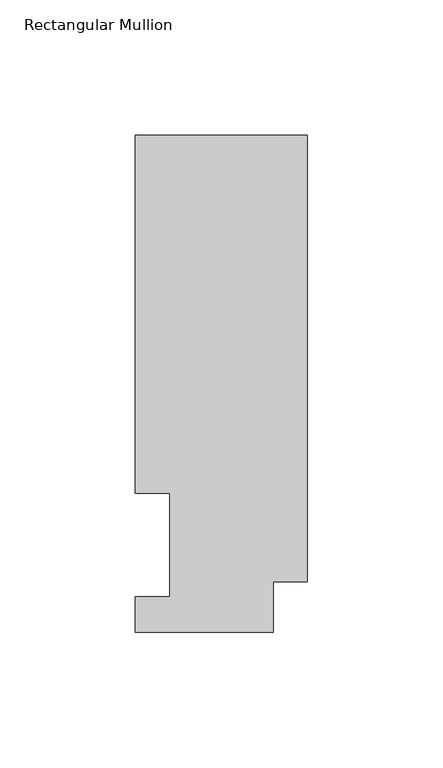
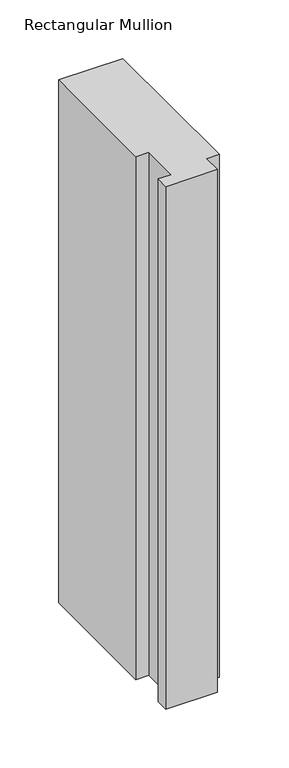
"""IFC4 building model written with IfcOpenShell, lengths in millimetres: member geometry, Rectangular Mullion."""

import ifcopenshell
import ifcopenshell.guid

model = None  # the IFC model being written
_history = None  # IfcOwnerHistory: only IFC2X3 demands one
_inside = {}  # id of a spatial element -> (the spatial element, [elements in it])
_under = {}  # id of a project, library or spatial element -> (it, [spatial elements below it])
_declared = {}  # id of a project -> (the project, [libraries it declares])
_typed = {}  # id of a type object -> (the type object, [elements of that type])
_made_of = {}  # id of a material, layer set ... -> (it, [elements and type objects made of it])


def new_model(schema):
    """Start an empty IFC model of exactly this schema.

    Asked for "IFC4X3", IfcOpenShell would pick the latest addendum, in which some entities
    have other attributes; the version numbers below select the first issue.
    IFC2X3 requires an IfcOwnerHistory on every rooted entity: one is made here for all.
    """
    global model, _history
    if schema == "IFC4X3":
        model = ifcopenshell.file(schema_version=(4, 3, 0, 0))
    else:
        model = ifcopenshell.file(schema=schema)
    _inside.clear()
    _under.clear()
    _declared.clear()
    _typed.clear()
    _made_of.clear()
    _history = None
    if model.schema == "IFC2X3":
        org = make("IfcOrganization", Name="unknown")
        user = make(
            "IfcPersonAndOrganization",
            ThePerson=make("IfcPerson", FamilyName="unknown"),
            TheOrganization=org,
        )
        app = make(
            "IfcApplication",
            ApplicationDeveloper=org,
            Version="unknown",
            ApplicationFullName="unknown",
            ApplicationIdentifier="unknown",
        )
        _history = make(
            "IfcOwnerHistory",
            OwningUser=user,
            OwningApplication=app,
            ChangeAction="ADDED",
            CreationDate=0,
        )
    return model


def make(cls, **values):
    """One entity of the class cls with the attributes given. An attribute that is None is left unset."""
    return model.create_entity(
        cls, **{name: value for name, value in values.items() if value is not None}
    )


def rooted(cls, **values):
    """An entity with a GlobalId (a new one), such as an element, a storey or a relation."""
    return make(cls, GlobalId=ifcopenshell.guid.new(), OwnerHistory=_history, **values)


def si_unit(unit_type, name, prefix=None):
    """IfcSIUnit, for example si_unit("LENGTHUNIT", "METRE", prefix="MILLI")."""
    return make("IfcSIUnit", UnitType=unit_type, Prefix=prefix, Name=name)


def assignment(units):
    """IfcUnitAssignment: the units of a project."""
    return None if units is None else make("IfcUnitAssignment", Units=units)


def point(xyz):
    """IfcCartesianPoint."""
    return None if xyz is None else make("IfcCartesianPoint", Coordinates=xyz)


def direction(xyz):
    """IfcDirection."""
    return None if xyz is None else make("IfcDirection", DirectionRatios=xyz)


def frame(location, z_axis=None, x_axis=None):
    """IfcAxis2Placement3D, a coordinate frame: its origin and axes. An axis left out is left unset."""
    return make(
        "IfcAxis2Placement3D",
        Location=point(location),
        Axis=direction(z_axis),
        RefDirection=direction(x_axis),
    )


def origin():
    """The frame at (0, 0, 0) with its axes left unset."""
    return frame((0.0, 0.0, 0.0))


def place(relative_to, where):
    """IfcLocalPlacement: puts the frame where relative to a parent placement (None: the world)."""
    return make(
        "IfcLocalPlacement", PlacementRelTo=relative_to, RelativePlacement=where
    )


def context(
    kind, dimensions, precision=None, world=None, true_north=None, identifier=None
):
    """IfcGeometricRepresentationContext, for example the 3D "Model" context."""
    return make(
        "IfcGeometricRepresentationContext",
        ContextIdentifier=identifier,
        ContextType=kind,
        CoordinateSpaceDimension=dimensions,
        Precision=precision,
        WorldCoordinateSystem=world,
        TrueNorth=true_north,
    )


def project(units=None, contexts=None):
    """IfcProject with its units and contexts."""
    return rooted(
        "IfcProject",
        Name="project",
        RepresentationContexts=contexts,
        UnitsInContext=assignment(units),
    )


def spatial(cls, under=None, at=None, **own):
    """A site, building, storey or space (cls), placed at a placement, below another one or the project."""
    s = rooted(cls, ObjectPlacement=at, **own)
    if under is not None:
        _under.setdefault(under.id(), (under, []))[1].append(s)
    return s


def polyline(points):
    """IfcPolyline through the points."""
    return make("IfcPolyline", Points=[point(p) for p in points])


def outline(outer, holes=None, kind="AREA"):
    """IfcArbitraryClosedProfileDef: a profile drawn as a closed curve; with holes, ...WithVoids."""
    if holes is None:
        return make("IfcArbitraryClosedProfileDef", ProfileType=kind, OuterCurve=outer)
    return make(
        "IfcArbitraryProfileDefWithVoids",
        ProfileType=kind,
        OuterCurve=outer,
        InnerCurves=holes,
    )


def extrude(swept, where, along, depth):
    """IfcExtrudedAreaSolid: the profile swept, set in the frame where, extruded along a direction by depth."""
    return make(
        "IfcExtrudedAreaSolid",
        SweptArea=swept,
        Position=where,
        ExtrudedDirection=direction(along),
        Depth=depth,
    )


def shape(context_of_items, identifier, shape_type, items):
    """IfcShapeRepresentation: the items that make up one representation, for example the "Body"."""
    return make(
        "IfcShapeRepresentation",
        ContextOfItems=context_of_items,
        RepresentationIdentifier=identifier,
        RepresentationType=shape_type,
        Items=items,
    )


def source(mapping_origin, context_of_items, identifier, shape_type, items):
    """IfcRepresentationMap: a shape defined once, which mapped items show again and again."""
    return make(
        "IfcRepresentationMap",
        MappingOrigin=mapping_origin,
        MappedRepresentation=shape(context_of_items, identifier, shape_type, items),
    )


def transform(
    local_origin,
    x_axis=None,
    y_axis=None,
    z_axis=None,
    scale=None,
    scale2=None,
    scale3=None,
    uniform=True,
):
    """IfcCartesianTransformationOperator3D, or its non-uniform kind. x_axis, y_axis, z_axis: its Axis1, 2, 3."""
    if uniform:
        return make(
            "IfcCartesianTransformationOperator3D",
            Axis1=direction(x_axis),
            Axis2=direction(y_axis),
            LocalOrigin=point(local_origin),
            Scale=scale,
            Axis3=direction(z_axis),
        )
    return make(
        "IfcCartesianTransformationOperator3DnonUniform",
        Axis1=direction(x_axis),
        Axis2=direction(y_axis),
        LocalOrigin=point(local_origin),
        Scale=scale,
        Axis3=direction(z_axis),
        Scale2=scale2,
        Scale3=scale3,
    )


def mapped(mapping_source, mapping_target):
    """IfcMappedItem: shows the shape of a source again, moved by a transform."""
    return make(
        "IfcMappedItem", MappingSource=mapping_source, MappingTarget=mapping_target
    )


def made_of(thing, what):
    """Note that an element or type object is made of a material, layer set ...; save() writes the relation."""
    if what is not None:
        _made_of.setdefault(what.id(), (what, []))[1].append(thing)
    return thing


def element(
    cls,
    number,
    at=None,
    inside=None,
    cuts=None,
    type_object=None,
    material=None,
    context=None,
    identifier="Body",
    shape_type=None,
    held_by="IfcProductDefinitionShape",
    body=None,
    shapes=None,
    **own,
):
    """One element of the class cls, such as IfcWall. Its Tag is "e" and its number.

    at: its placement. inside: the storey or other place that contains it. cuts: it is an
    opening in that element (IfcRelVoidsElement). A single representation is given by context,
    identifier, shape_type and body (its items); several are given by shapes. held_by: the class
    of the entity that holds the representations. save() writes the other relations.
    """
    e = rooted(cls, Tag="e%d" % number, ObjectPlacement=at, **own)
    if body is not None:
        shapes = [shape(context, identifier, shape_type, body)]
    if shapes is not None:
        e.Representation = make(held_by, Representations=shapes)
    if inside is not None:
        _inside.setdefault(inside.id(), (inside, []))[1].append(e)
    if cuts is not None:
        rooted(
            "IfcRelVoidsElement", RelatingBuildingElement=cuts, RelatedOpeningElement=e
        )
    if type_object is not None:
        _typed.setdefault(type_object.id(), (type_object, []))[1].append(e)
    return made_of(e, material)


def aggregate(whole, parts):
    """IfcRelAggregates: a whole, such as a stair, and the parts it consists of."""
    return rooted("IfcRelAggregates", RelatingObject=whole, RelatedObjects=parts)


def save(model, path):
    """Write the relations noted so far, then the file.

    IfcRelAggregates (storeys below a building ...), IfcRelContainedInSpatialStructure (elements
    in a storey), IfcRelDefinesByType, IfcRelAssociatesMaterial and IfcRelDeclares: one each for
    every whole, place, type object, material and project.
    """
    for whole, parts in _under.values():
        aggregate(whole, parts)
    for where, things in _inside.values():
        rooted(
            "IfcRelContainedInSpatialStructure",
            RelatedElements=things,
            RelatingStructure=where,
        )
    for kind, things in _typed.values():
        rooted("IfcRelDefinesByType", RelatedObjects=things, RelatingType=kind)
    for what, things in _made_of.values():
        rooted("IfcRelAssociatesMaterial", RelatedObjects=things, RelatingMaterial=what)
    for by, libraries in _declared.values():
        rooted("IfcRelDeclares", RelatingContext=by, RelatedDefinitions=libraries)
    model.write(path)


def rectangular_mullion_a1116955(model_context):
    return source(origin(), model_context, "Body", "SweptSolid", [
        extrude(outline(polyline([(0.0, 183.4446737), (0.0, 18.7332937), (-12.7, 18.7332937), (-12.7, 0.0134937), (-63.5, 0.0134937), (-63.5, 13.1960937), (-50.8, 13.1960937), (-50.8, 51.2960937), (-63.5, 51.2960938), (-63.5, 183.4446737), (0.0, 183.4446737)])), frame((0.0, 0.0, -545.3093556), z_axis=(0.0, 0.0, 1.0), x_axis=(1.0, 0.0, 0.0)), (0.0, 0.0, 1.0), 545.3093556),
    ])


if __name__ == "__main__":
    model = new_model("IFC4")
    model_context = context("Model", 3, world=origin())
    ifc_project = project(units=[si_unit("LENGTHUNIT", "METRE", prefix="MILLI")], contexts=[model_context])
    site = spatial("IfcSite", under=ifc_project)
    building = spatial("IfcBuilding", under=site)
    placement = place(None, origin())
    rectangular_mullion_shape = rectangular_mullion_a1116955(model_context)
    element("IfcMember", 1, ObjectType="Rectangular Mullion", at=placement, inside=building, context=model_context, shape_type="MappedRepresentation", body=[
        mapped(rectangular_mullion_shape, transform((0.0, 0.0, 0.0), x_axis=(1.0, 0.0, 0.0), y_axis=(0.0, 1.0, 0.0), z_axis=(0.0, 0.0, 1.0))),
    ])
    save(model, "model.ifc")
